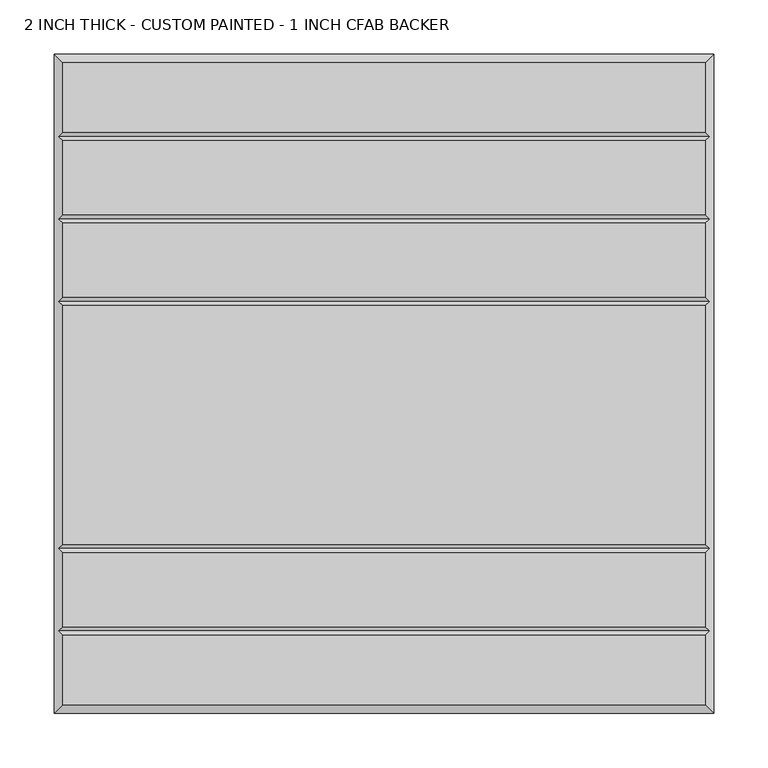
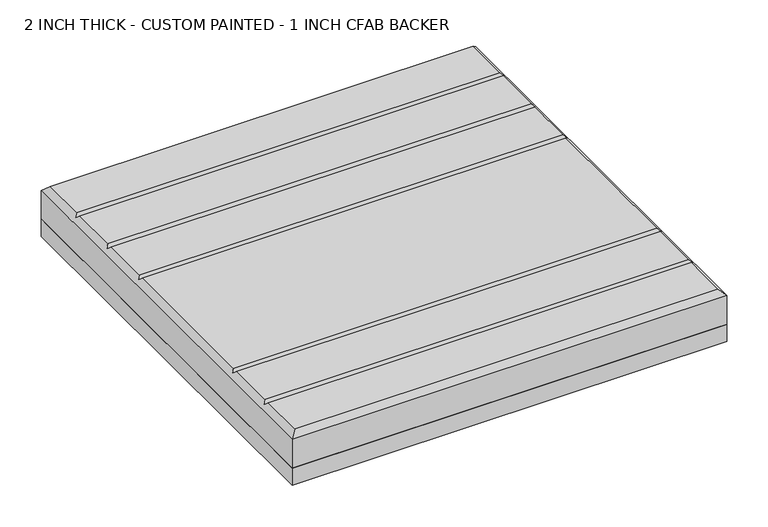
"""IFC4 building model written with IfcOpenShell, lengths in millimetres: proxy geometry, 2 INCH THICK - CUSTOM PAINTED - 1 INCH CFAB BACKER."""

from ifc_helpers import new_model, si_unit, frame, origin, place, context, project, spatial, polyline, outline, extrude, faceted_brep, source, transform, mapped, element, save


def proxy_2_inch_thick_custom_painted_1_inch_cfab_backer_8ee5e110(model_context):
    return source(origin(), model_context, "Body", "SolidModel", [
        extrude(outline(polyline([(-304.8, 304.8), (304.8, 304.8), (304.8, -304.8), (-304.8, -304.8), (-304.8, 304.8)])), frame((0.0, 0.0, -25.4), z_axis=(0.0, 0.0, 1.0), x_axis=(1.0, 0.0, 0.0)), (0.0, 0.0, 1.0), 25.4),
        faceted_brep([(296.799, 296.799, 50.8), (-296.799, 296.799, 50.8), (-296.799, 232.6005, 50.8), (296.799, 232.6005, 50.8), (-296.799, -296.799, 50.8), (296.799, -296.799, 50.8), (296.799, -232.6005, 50.8), (-296.799, -232.6005, 50.8), (296.799, 148.3995, 50.8), (-296.799, 148.3995, 50.8), (-296.799, 80.2005, 50.8), (296.799, 80.2005, 50.8), (-296.799, 156.4005, 50.8), (296.799, 156.4005, 50.8), (296.799, 224.5995, 50.8), (-296.799, 224.5995, 50.8), (296.799, 72.1995, 50.8), (-296.799, 72.1995, 50.8), (-296.799, -148.3995, 50.8), (296.799, -148.3995, 50.8), (296.799, -156.4005, 50.8), (-296.799, -156.4005, 50.8), (-296.799, -224.5995, 50.8), (296.799, -224.5995, 50.8), (-304.8, 304.8, 0.0), (304.8, 304.8, 0.0), (304.8, -304.8, 0.0), (-304.8, -304.8, 0.0), (-304.8, -304.8, 42.799), (-304.8, 304.8, 42.799), (304.8, -304.8, 42.799), (304.8, 304.8, 42.799), (-300.7995, -228.6, 46.7995), (-300.7995, -152.4, 46.7995), (-300.7995, 76.2, 46.7995), (-300.7995, 152.4, 46.7995), (-300.7995, 228.6, 46.7995), (300.7995, 228.6, 46.7995), (300.7995, 152.4, 46.7995), (300.7995, 76.2, 46.7995), (300.7995, -152.4, 46.7995), (300.7995, -228.6, 46.7995)], [[[0, 1, 2, 3]], [[4, 5, 6, 7]], [[8, 9, 10, 11]], [[12, 13, 14, 15]], [[16, 17, 18, 19]], [[20, 21, 22, 23]], [[24, 25, 26, 27]], [[24, 27, 28, 29]], [[27, 26, 30, 28]], [[26, 25, 31, 30]], [[25, 24, 29, 31]], [[29, 1, 0, 31]], [[1, 29, 28, 4, 7, 32, 22, 21, 33, 18, 17, 34, 10, 9, 35, 12, 15, 36, 2]], [[4, 28, 30, 5]], [[31, 0, 3, 37, 14, 13, 38, 8, 11, 39, 16, 19, 40, 20, 23, 41, 6, 5, 30]], [[38, 35, 9, 8]], [[35, 38, 13, 12]], [[39, 34, 17, 16]], [[34, 39, 11, 10]], [[40, 33, 21, 20]], [[33, 40, 19, 18]], [[41, 32, 7, 6]], [[32, 41, 23, 22]], [[37, 36, 15, 14]], [[36, 37, 3, 2]]]),
    ])


if __name__ == "__main__":
    model = new_model("IFC4")
    model_context = context("Model", 3, world=origin())
    ifc_project = project(units=[si_unit("LENGTHUNIT", "METRE", prefix="MILLI")], contexts=[model_context])
    site = spatial("IfcSite", under=ifc_project)
    building = spatial("IfcBuilding", under=site)
    placement = place(None, origin())
    proxy_2_inch_thick_custom_painted_1_inch_cfab_backer_shape = proxy_2_inch_thick_custom_painted_1_inch_cfab_backer_8ee5e110(model_context)
    element("IfcBuildingElementProxy", 1, Name="2 INCH THICK - CUSTOM PAINTED - 1 INCH CFAB BACKER", ObjectType="2 INCH THICK - CUSTOM PAINTED - 1 INCH CFAB BACKER", at=placement, inside=building, context=model_context, shape_type="MappedRepresentation", body=[
        mapped(proxy_2_inch_thick_custom_painted_1_inch_cfab_backer_shape, transform((0.0, 0.0, 0.0), x_axis=(1.0, 0.0, 0.0), y_axis=(0.0, 1.0, 0.0), z_axis=(0.0, 0.0, 1.0))),
    ])
    save(model, "model.ifc")
